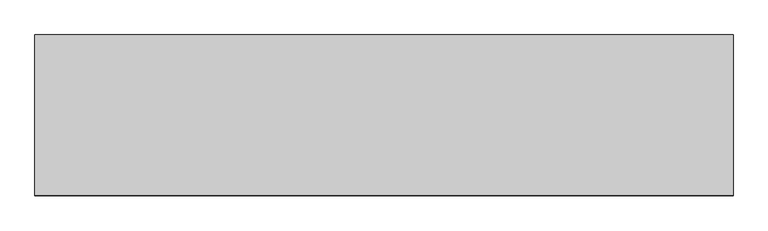
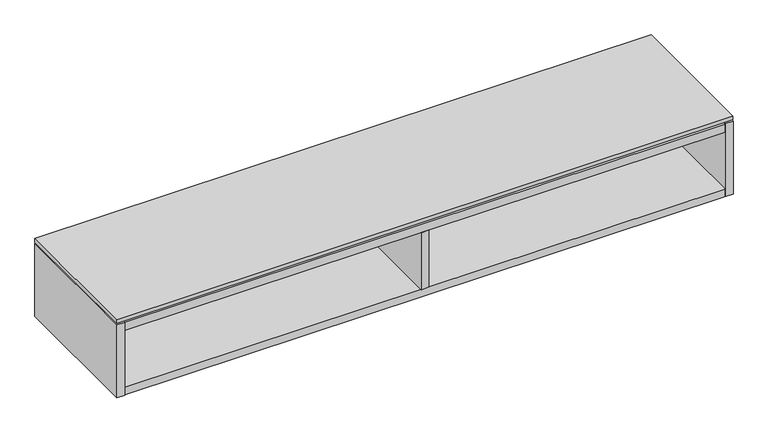
"""IFC4 building model written with IfcOpenShell, lengths in millimetres: furniture geometry."""

from ifc_helpers import new_model, si_unit, frame, origin, place, context, project, spatial, polyline, outline, extrude, faceted_brep, source, transform, mapped, element, save


def furniture_85468201(model_context):
    return source(origin(), model_context, "Body", "SolidModel", [
        extrude(outline(polyline([(1063.8234375, -191.0115724), (-457.2, -191.0115724), (-457.2, 158.8226276), (1063.8234375, 158.8226276), (1063.8234375, -191.0115724)])), frame((0.0, 0.0, 756.67616), z_axis=(0.0, 0.0, 1.0), x_axis=(1.0, 0.0, 0.0)), (0.0, 0.0, 1.0), 9.779),
        extrude(outline(polyline([(-437.896, 145.5282676), (-437.896, 158.8226276), (1044.5194375, 158.8226276), (1044.5194375, 145.5282676), (-437.896, 145.5282676)])), frame((0.0, 0.0, 655.48891), z_axis=(0.0, 0.0, 1.0), x_axis=(1.0, 0.0, 0.0)), (0.0, 0.0, 1.0), 76.2),
        extrude(outline(polyline([(312.9637187, -191.7735724), (293.6597187, -191.7735724), (293.6597187, 126.2242676), (312.9637187, 126.2242676), (312.9637187, -191.7735724)])), frame((0.0, 0.0, 582.94016), z_axis=(0.0, 0.0, 1.0), x_axis=(1.0, 0.0, 0.0)), (0.0, 0.0, 1.0), 148.74875),
        faceted_brep([(1044.5194375, -191.0115724, 582.94016), (-437.896, -191.0115724, 582.94016), (-437.896, -191.0115724, 563.63616), (1044.5194375, -191.0115724, 563.63616), (-437.896, 145.5282676, 731.68891), (1044.5194375, 145.5282676, 731.68891), (1044.5194375, 145.5282676, 562.87416), (-437.896, 145.5282676, 562.87416), (1044.5194375, 126.2242676, 582.94016), (-437.896, 126.2242676, 582.94016), (-437.896, 126.2242676, 563.63616), (1044.5194375, 126.2242676, 563.63616), (-437.896, 158.8226276, 753.37416), (-457.2, 158.8226276, 753.37416), (-457.2, -191.7735724, 753.37416), (-437.896, -191.7735724, 753.37416), (1044.5194375, -191.7735724, 753.37416), (1063.8234375, -191.7735724, 753.37416), (1063.8234375, 158.8226276, 753.37416), (1044.5194375, 158.8226276, 753.37416), (-437.896, -191.7735724, 562.87416), (-457.2, -191.7735724, 562.87416), (-457.2, 158.8226276, 562.87416), (-437.896, 158.8226276, 562.87416), (1044.5194375, 158.8226276, 562.87416), (1063.8234375, 158.8226276, 562.87416), (1063.8234375, -191.7735724, 562.87416), (1044.5194375, -191.7735724, 562.87416), (1044.5194375, 126.2242676, 562.87416), (-437.896, 126.2242676, 562.87416), (-437.896, 158.8226276, 752.61216), (1044.5194375, 158.8226276, 752.61216), (1044.5194375, 158.8226276, 731.68891), (-437.896, 158.8226276, 731.68891), (-437.896, 126.2242676, 731.68891), (-437.896, -191.0115724, 731.68891), (-437.896, -191.0115724, 752.61216), (1044.5194375, -191.0115724, 752.61216), (1044.5194375, -191.0115724, 731.68891), (1044.5194375, 126.2242676, 731.68891)], [[[0, 1, 2, 3]], [[4, 5, 6, 7]], [[1, 0, 8, 9]], [[3, 2, 10, 11]], [[12, 13, 14, 15]], [[16, 17, 18, 19]], [[20, 21, 22, 23, 7, 6, 24, 25, 26, 27, 28, 29]], [[13, 12, 30, 31, 19, 18, 25, 24, 32, 33, 23, 22]], [[14, 13, 22, 21]], [[15, 14, 21, 20]], [[4, 7, 23, 33]], [[12, 15, 20, 29, 10, 2, 1, 9, 34, 35, 36, 30]], [[6, 5, 32, 24]], [[16, 19, 31, 37, 38, 39, 8, 0, 3, 11, 28, 27]], [[17, 16, 27, 26]], [[18, 17, 26, 25]], [[37, 36, 35, 38]], [[36, 37, 31, 30]], [[33, 32, 5, 4]], [[38, 35, 34, 39]], [[9, 8, 39, 34]], [[29, 28, 11, 10]]]),
    ])


if __name__ == "__main__":
    model = new_model("IFC4")
    model_context = context("Model", 3, world=origin())
    ifc_project = project(units=[si_unit("LENGTHUNIT", "METRE", prefix="MILLI")], contexts=[model_context])
    site = spatial("IfcSite", under=ifc_project)
    building = spatial("IfcBuilding", under=site)
    placement = place(None, origin())
    furniture_shape = furniture_85468201(model_context)
    element("IfcFurniture", 1, at=placement, inside=building, context=model_context, shape_type="MappedRepresentation", body=[
        mapped(furniture_shape, transform((0.0, 0.0, 0.0), x_axis=(1.0, 0.0, 0.0), y_axis=(0.0, 1.0, 0.0), z_axis=(0.0, 0.0, 1.0))),
    ])
    save(model, "model.ifc")
